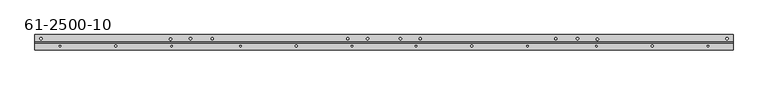
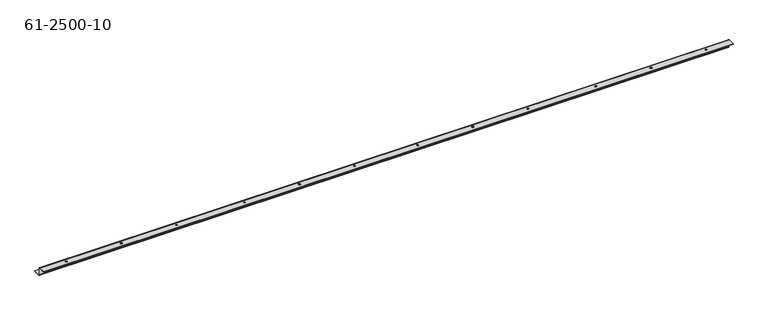
"""IFC4 building model written with IfcOpenShell, lengths in millimetres: proxy geometry, 61-2500-10."""

from ifc_helpers import new_model, si_unit, frame, origin, place, context, project, spatial, polyline, circle_curve, source, transform, mapped, element, save
from ifc_brep_helpers import plane_surface, cylinder_surface, revolved_surface, advanced_brep


def proxy_61_2500_10_40415bdb(model_context):
    return source(origin(), model_context, "Body", "AdvancedBrep", [
        advanced_brep(
        [(2209.7111, 29.8155448, -25.9461), (2209.7111, 29.8155448, -24.3332), (2202.4721, 29.8155448, -24.3332), (2202.4721, 29.8155448, -25.9461), (24.4475, 29.8155448, -25.9461), (24.4475, 29.8155448, -24.3332), (17.2085, 29.8155448, -24.3332), (17.2085, 29.8155448, -25.9461), (1217.4347, 6.0284448, 0.0), (1217.4347, 6.0284448, 1.6129), (1212.6849, 6.0284448, 1.6129), (1212.6849, 6.0284448, 0.0), (1792.3129, 6.0284448, 0.0), (1792.3129, 6.0284448, 1.6129), (1787.5631, 6.0284448, 1.6129), (1787.5631, 6.0284448, 0.0), (1014.2347, 6.0284448, 0.0), (1014.2347, 6.0284448, 1.6129), (1009.4849, 6.0284448, 1.6129), (1009.4849, 6.0284448, 0.0), (439.3565, 6.0284448, 0.0), (439.3565, 6.0284448, 1.6129), (434.6067, 6.0284448, 1.6129), (434.6067, 6.0284448, 0.0), (83.7565, 6.0284448, 0.0), (83.7565, 6.0284448, 1.6129), (79.0067, 6.0284448, 1.6129), (79.0067, 6.0284448, 0.0), (658.6347, 6.0284448, 0.0), (658.6347, 6.0284448, 1.6129), (653.8849, 6.0284448, 1.6129), (653.8849, 6.0284448, 0.0), (2147.9129, 6.0284448, 0.0), (2147.9129, 6.0284448, 1.6129), (2143.1631, 6.0284448, 1.6129), (2143.1631, 6.0284448, 0.0), (1573.0347, 6.0284448, 0.0), (1573.0347, 6.0284448, 1.6129), (1568.2849, 6.0284448, 1.6129), (1568.2849, 6.0284448, 0.0), (1396.0348, 6.0284448, 0.0), (1396.0348, 6.0284448, 1.6129), (1389.6848, 6.0284448, 1.6129), (1389.6848, 6.0284448, 0.0), (837.2348, 6.0284448, 0.0), (837.2348, 6.0284448, 1.6129), (830.8848, 6.0284448, 1.6129), (830.8848, 6.0284448, 0.0), (262.3566, 6.0284448, 0.0), (262.3566, 6.0284448, 1.6129), (256.0066, 6.0284448, 1.6129), (256.0066, 6.0284448, 0.0), (1970.913, 6.0284448, 0.0), (1970.913, 6.0284448, 1.6129), (1964.563, 6.0284448, 1.6129), (1964.563, 6.0284448, 0.0), (1664.1572, 29.8155448, -25.9461), (1664.1572, 29.8155448, -24.3332), (1656.9182, 29.8155448, -24.3332), (1656.9182, 29.8155448, -25.9461), (570.0014, 29.8155448, -25.9461), (570.0014, 29.8155448, -24.3332), (562.7624, 29.8155448, -24.3332), (562.7624, 29.8155448, -25.9461), (1064.768, 29.8155448, -25.9461), (1064.768, 29.8155448, -24.3332), (1057.529, 29.8155448, -24.3332), (1057.529, 29.8155448, -25.9461), (1232.8906, 29.8155448, -25.9461), (1232.8906, 29.8155448, -24.3332), (1225.6516, 29.8155448, -24.3332), (1225.6516, 29.8155448, -25.9461), (1169.3906, 29.8155448, -25.9461), (1169.3906, 29.8155448, -24.3332), (1162.1516, 29.8155448, -24.3332), (1162.1516, 29.8155448, -25.9461), (1733.40776, 29.8155448, -25.9461), (1733.40776, 29.8155448, -24.3332), (1726.16876, 29.8155448, -24.3332), (1726.16876, 29.8155448, -25.9461), (1001.268, 29.8155448, -25.9461), (1001.268, 29.8155448, -24.3332), (994.029, 29.8155448, -24.3332), (994.029, 29.8155448, -25.9461), (500.75084, 29.8155448, -25.9461), (500.75084, 29.8155448, -24.3332), (493.51184, 29.8155448, -24.3332), (493.51184, 29.8155448, -25.9461), (437.19334, 28.2554846, -25.9461), (437.19334, 28.2554846, -24.3332), (429.95434, 28.2554846, -24.3332), (429.95434, 28.2554846, -25.9461), (1796.830546, 28.0915589, -25.9461), (1796.830546, 28.0915589, -24.3332), (1789.591546, 28.0915589, -24.3332), (1789.591546, 28.0915589, -25.9461), (2225.3321, 18.7284448, -1.6129), (2225.3321, 15.5026448, 1.6129), (2225.3321, -6.6715552, 1.6129), (2225.3321, -6.6715552, 0.0), (2225.3321, 15.5026448, 0.0), (2225.3321, 17.1155448, -1.6129), (2225.3321, 17.1155448, -22.7203), (2225.3321, 20.3413448, -25.9461), (2225.3321, 42.5155448, -25.9461), (2225.3321, 42.5155448, -24.3332), (2225.3321, 20.3413448, -24.3332), (2225.3321, 18.7284448, -22.7203), (1.5875, 15.5026448, 1.6129), (1.5875, 18.7284448, -1.6129), (1.5875, 18.7284448, -22.7203), (1.5875, 20.3413448, -24.3332), (1.5875, 42.5155448, -24.3332), (1.5875, 42.5155448, -25.9461), (1.5875, 20.3413448, -25.9461), (1.5875, 17.1155448, -22.7203), (1.5875, 17.1155448, -1.6129), (1.5875, 15.5026448, 0.0), (1.5875, -6.6715552, 0.0), (1.5875, -6.6715552, 1.6129)],
        [
            (0, 1),
            (1, 2, circle_curve(frame((2206.0916, 29.8155448, -24.3332), z_axis=(0.0, 0.0, 1.0), x_axis=(1.0, 0.0, 0.0)), 3.6195)),
            (2, 3),
            (3, 0, circle_curve(frame((2206.0916, 29.8155448, -25.9461), z_axis=(0.0, 0.0, -1.0), x_axis=(1.0, 0.0, 0.0)), 3.6195)),
            (4, 5),
            (5, 6, circle_curve(frame((20.828, 29.8155448, -24.3332), z_axis=(0.0, 0.0, 1.0), x_axis=(1.0, 0.0, 0.0)), 3.6195)),
            (6, 7),
            (7, 4, circle_curve(frame((20.828, 29.8155448, -25.9461), z_axis=(0.0, 0.0, -1.0), x_axis=(1.0, 0.0, 0.0)), 3.6195)),
            (8, 9),
            (9, 10, circle_curve(frame((1215.0598, 6.0284448, 1.6129), z_axis=(0.0, 0.0, 1.0), x_axis=(1.0, 0.0, 0.0)), 2.3749)),
            (10, 11),
            (11, 8, circle_curve(frame((1215.0598, 6.0284448, 0.0), z_axis=(0.0, 0.0, -1.0), x_axis=(1.0, 0.0, 0.0)), 2.3749)),
            (12, 13),
            (13, 14, circle_curve(frame((1789.938, 6.0284448, 1.6129), z_axis=(0.0, 0.0, 1.0), x_axis=(1.0, 0.0, 0.0)), 2.3749)),
            (14, 15),
            (15, 12, circle_curve(frame((1789.938, 6.0284448, 0.0), z_axis=(0.0, 0.0, -1.0), x_axis=(1.0, 0.0, 0.0)), 2.3749)),
            (16, 17),
            (17, 18, circle_curve(frame((1011.8598, 6.0284448, 1.6129), z_axis=(0.0, 0.0, 1.0), x_axis=(1.0, 0.0, 0.0)), 2.3749)),
            (18, 19),
            (19, 16, circle_curve(frame((1011.8598, 6.0284448, 0.0), z_axis=(0.0, 0.0, -1.0), x_axis=(1.0, 0.0, 0.0)), 2.3749)),
            (20, 21),
            (21, 22, circle_curve(frame((436.9816, 6.0284448, 1.6129), z_axis=(0.0, 0.0, 1.0), x_axis=(1.0, 0.0, 0.0)), 2.3749)),
            (22, 23),
            (23, 20, circle_curve(frame((436.9816, 6.0284448, 0.0), z_axis=(0.0, 0.0, -1.0), x_axis=(1.0, 0.0, 0.0)), 2.3749)),
            (24, 25),
            (25, 26, circle_curve(frame((81.3816, 6.0284448, 1.6129), z_axis=(0.0, 0.0, 1.0), x_axis=(1.0, 0.0, 0.0)), 2.3749)),
            (26, 27),
            (27, 24, circle_curve(frame((81.3816, 6.0284448, 0.0), z_axis=(0.0, 0.0, -1.0), x_axis=(1.0, 0.0, 0.0)), 2.3749)),
            (28, 29),
            (29, 30, circle_curve(frame((656.2598, 6.0284448, 1.6129), z_axis=(0.0, 0.0, 1.0), x_axis=(1.0, 0.0, 0.0)), 2.3749)),
            (30, 31),
            (31, 28, circle_curve(frame((656.2598, 6.0284448, 0.0), z_axis=(0.0, 0.0, -1.0), x_axis=(1.0, 0.0, 0.0)), 2.3749)),
            (32, 33),
            (33, 34, circle_curve(frame((2145.538, 6.0284448, 1.6129), z_axis=(0.0, 0.0, 1.0), x_axis=(1.0, 0.0, 0.0)), 2.3749)),
            (34, 35),
            (35, 32, circle_curve(frame((2145.538, 6.0284448, 0.0), z_axis=(0.0, 0.0, -1.0), x_axis=(1.0, 0.0, 0.0)), 2.3749)),
            (36, 37),
            (37, 38, circle_curve(frame((1570.6598, 6.0284448, 1.6129), z_axis=(0.0, 0.0, 1.0), x_axis=(1.0, 0.0, 0.0)), 2.3749)),
            (38, 39),
            (39, 36, circle_curve(frame((1570.6598, 6.0284448, 0.0), z_axis=(0.0, 0.0, -1.0), x_axis=(1.0, 0.0, 0.0)), 2.3749)),
            (40, 41),
            (41, 42, circle_curve(frame((1392.8598, 6.0284448, 1.6129), z_axis=(0.0, 0.0, 1.0), x_axis=(1.0, 0.0, 0.0)), 3.175)),
            (42, 43),
            (43, 40, circle_curve(frame((1392.8598, 6.0284448, 0.0), z_axis=(0.0, 0.0, -1.0), x_axis=(1.0, 0.0, 0.0)), 3.175)),
            (44, 45),
            (45, 46, circle_curve(frame((834.0598, 6.0284448, 1.6129), z_axis=(0.0, 0.0, 1.0), x_axis=(1.0, 0.0, 0.0)), 3.175)),
            (46, 47),
            (47, 44, circle_curve(frame((834.0598, 6.0284448, 0.0), z_axis=(0.0, 0.0, -1.0), x_axis=(1.0, 0.0, 0.0)), 3.175)),
            (48, 49),
            (49, 50, circle_curve(frame((259.1816, 6.0284448, 1.6129), z_axis=(0.0, 0.0, 1.0), x_axis=(1.0, 0.0, 0.0)), 3.175)),
            (50, 51),
            (51, 48, circle_curve(frame((259.1816, 6.0284448, 0.0), z_axis=(0.0, 0.0, -1.0), x_axis=(1.0, 0.0, 0.0)), 3.175)),
            (52, 53),
            (53, 54, circle_curve(frame((1967.738, 6.0284448, 1.6129), z_axis=(0.0, 0.0, 1.0), x_axis=(1.0, 0.0, 0.0)), 3.175)),
            (54, 55),
            (55, 52, circle_curve(frame((1967.738, 6.0284448, 0.0), z_axis=(0.0, 0.0, -1.0), x_axis=(1.0, 0.0, 0.0)), 3.175)),
            (56, 57),
            (57, 58, circle_curve(frame((1660.5377, 29.8155448, -24.3332), z_axis=(0.0, 0.0, 1.0), x_axis=(1.0, 0.0, 0.0)), 3.6195)),
            (58, 59),
            (59, 56, circle_curve(frame((1660.5377, 29.8155448, -25.9461), z_axis=(0.0, 0.0, -1.0), x_axis=(1.0, 0.0, 0.0)), 3.6195)),
            (60, 61),
            (61, 62, circle_curve(frame((566.3819, 29.8155448, -24.3332), z_axis=(0.0, 0.0, 1.0), x_axis=(1.0, 0.0, 0.0)), 3.6195)),
            (62, 63),
            (63, 60, circle_curve(frame((566.3819, 29.8155448, -25.9461), z_axis=(0.0, 0.0, -1.0), x_axis=(1.0, 0.0, 0.0)), 3.6195)),
            (64, 65),
            (65, 66, circle_curve(frame((1061.1485, 29.8155448, -24.3332), z_axis=(0.0, 0.0, 1.0), x_axis=(1.0, 0.0, 0.0)), 3.6195)),
            (66, 67),
            (67, 64, circle_curve(frame((1061.1485, 29.8155448, -25.9461), z_axis=(0.0, 0.0, -1.0), x_axis=(1.0, 0.0, 0.0)), 3.6195)),
            (68, 69),
            (69, 70, circle_curve(frame((1229.2711, 29.8155448, -24.3332), z_axis=(0.0, 0.0, 1.0), x_axis=(1.0, 0.0, 0.0)), 3.6195)),
            (70, 71),
            (71, 68, circle_curve(frame((1229.2711, 29.8155448, -25.9461), z_axis=(0.0, 0.0, -1.0), x_axis=(1.0, 0.0, 0.0)), 3.6195)),
            (72, 73),
            (73, 74, circle_curve(frame((1165.7711, 29.8155448, -24.3332), z_axis=(0.0, 0.0, 1.0), x_axis=(1.0, 0.0, 0.0)), 3.6195)),
            (74, 75),
            (75, 72, circle_curve(frame((1165.7711, 29.8155448, -25.9461), z_axis=(0.0, 0.0, -1.0), x_axis=(1.0, 0.0, 0.0)), 3.6195)),
            (76, 77),
            (77, 78, circle_curve(frame((1729.78826, 29.8155448, -24.3332), z_axis=(0.0, 0.0, 1.0), x_axis=(1.0, 0.0, 0.0)), 3.6195)),
            (78, 79),
            (79, 76, circle_curve(frame((1729.78826, 29.8155448, -25.9461), z_axis=(0.0, 0.0, -1.0), x_axis=(1.0, 0.0, 0.0)), 3.6195)),
            (80, 81),
            (81, 82, circle_curve(frame((997.6485, 29.8155448, -24.3332), z_axis=(0.0, 0.0, 1.0), x_axis=(1.0, 0.0, 0.0)), 3.6195)),
            (82, 83),
            (83, 80, circle_curve(frame((997.6485, 29.8155448, -25.9461), z_axis=(0.0, 0.0, -1.0), x_axis=(1.0, 0.0, 0.0)), 3.6195)),
            (84, 85),
            (85, 86, circle_curve(frame((497.13134, 29.8155448, -24.3332), z_axis=(0.0, 0.0, 1.0), x_axis=(1.0, 0.0, 0.0)), 3.6195)),
            (86, 87),
            (87, 84, circle_curve(frame((497.13134, 29.8155448, -25.9461), z_axis=(0.0, 0.0, -1.0), x_axis=(1.0, 0.0, 0.0)), 3.6195)),
            (88, 89),
            (89, 90, circle_curve(frame((433.57384, 28.2554846, -24.3332), z_axis=(0.0, 0.0, 1.0), x_axis=(1.0, 0.0, 0.0)), 3.6195)),
            (90, 91),
            (91, 88, circle_curve(frame((433.57384, 28.2554846, -25.9461), z_axis=(0.0, 0.0, -1.0), x_axis=(1.0, 0.0, 0.0)), 3.6195)),
            (92, 93),
            (93, 94, circle_curve(frame((1793.211046, 28.0915589, -24.3332), z_axis=(0.0, 0.0, 1.0), x_axis=(1.0, 0.0, 0.0)), 3.6195)),
            (94, 95),
            (95, 92, circle_curve(frame((1793.211046, 28.0915589, -25.9461), z_axis=(0.0, 0.0, -1.0), x_axis=(1.0, 0.0, 0.0)), 3.6195)),
            (92, 95, circle_curve(frame((1793.211046, 28.0915589, -25.9461), z_axis=(0.0, 0.0, -1.0), x_axis=(1.0, 0.0, 0.0)), 3.6195)),
            (94, 93, circle_curve(frame((1793.211046, 28.0915589, -24.3332), z_axis=(0.0, 0.0, 1.0), x_axis=(1.0, 0.0, 0.0)), 3.6195)),
            (88, 91, circle_curve(frame((433.57384, 28.2554846, -25.9461), z_axis=(0.0, 0.0, -1.0), x_axis=(1.0, 0.0, 0.0)), 3.6195)),
            (90, 89, circle_curve(frame((433.57384, 28.2554846, -24.3332), z_axis=(0.0, 0.0, 1.0), x_axis=(1.0, 0.0, 0.0)), 3.6195)),
            (96, 97, circle_curve(frame((2225.3321, 15.5026448, -1.6129), z_axis=(1.0, 0.0, 0.0), x_axis=(0.0, 0.0, 1.0)), 3.2258)),
            (97, 98),
            (98, 99),
            (99, 100),
            (100, 101, circle_curve(frame((2225.3321, 15.5026448, -1.6129), z_axis=(-1.0, 0.0, 0.0), x_axis=(0.0, 0.0, 1.0)), 1.6129)),
            (101, 102),
            (102, 103, circle_curve(frame((2225.3321, 20.3413448, -22.7203), z_axis=(1.0, 0.0, 0.0), x_axis=(0.0, -1.0, 0.0)), 3.2258)),
            (103, 104),
            (104, 105),
            (105, 106),
            (106, 107, circle_curve(frame((2225.3321, 20.3413448, -22.7203), z_axis=(-1.0, 0.0, 0.0), x_axis=(0.0, -1.0, 0.0)), 1.6129)),
            (107, 96),
            (108, 109, circle_curve(frame((1.5875, 15.5026448, -1.6129), z_axis=(-1.0, 0.0, 0.0), x_axis=(0.0, 0.0, 1.0)), 3.2258)),
            (109, 110),
            (110, 111, circle_curve(frame((1.5875, 20.3413448, -22.7203), z_axis=(1.0, 0.0, 0.0), x_axis=(0.0, -1.0, 0.0)), 1.6129)),
            (111, 112),
            (112, 113),
            (113, 114),
            (114, 115, circle_curve(frame((1.5875, 20.3413448, -22.7203), z_axis=(-1.0, 0.0, 0.0), x_axis=(0.0, -1.0, 0.0)), 3.2258)),
            (115, 116),
            (116, 117, circle_curve(frame((1.5875, 15.5026448, -1.6129), z_axis=(1.0, 0.0, 0.0), x_axis=(0.0, 0.0, 1.0)), 1.6129)),
            (117, 118),
            (118, 119),
            (119, 108),
            (105, 112),
            (111, 106),
            (1, 2, circle_curve(frame((2206.0916, 29.8155448, -24.3332), z_axis=(0.0, 0.0, -1.0), x_axis=(1.0, 0.0, 0.0)), 3.6195)),
            (5, 6, circle_curve(frame((20.828, 29.8155448, -24.3332), z_axis=(0.0, 0.0, -1.0), x_axis=(1.0, 0.0, 0.0)), 3.6195)),
            (57, 58, circle_curve(frame((1660.5377, 29.8155448, -24.3332), z_axis=(0.0, 0.0, -1.0), x_axis=(1.0, 0.0, 0.0)), 3.6195)),
            (61, 62, circle_curve(frame((566.3819, 29.8155448, -24.3332), z_axis=(0.0, 0.0, -1.0), x_axis=(1.0, 0.0, 0.0)), 3.6195)),
            (65, 66, circle_curve(frame((1061.1485, 29.8155448, -24.3332), z_axis=(0.0, 0.0, -1.0), x_axis=(1.0, 0.0, 0.0)), 3.6195)),
            (69, 70, circle_curve(frame((1229.2711, 29.8155448, -24.3332), z_axis=(0.0, 0.0, -1.0), x_axis=(1.0, 0.0, 0.0)), 3.6195)),
            (73, 74, circle_curve(frame((1165.7711, 29.8155448, -24.3332), z_axis=(0.0, 0.0, -1.0), x_axis=(1.0, 0.0, 0.0)), 3.6195)),
            (77, 78, circle_curve(frame((1729.78826, 29.8155448, -24.3332), z_axis=(0.0, 0.0, -1.0), x_axis=(1.0, 0.0, 0.0)), 3.6195)),
            (81, 82, circle_curve(frame((997.6485, 29.8155448, -24.3332), z_axis=(0.0, 0.0, -1.0), x_axis=(1.0, 0.0, 0.0)), 3.6195)),
            (85, 86, circle_curve(frame((497.13134, 29.8155448, -24.3332), z_axis=(0.0, 0.0, -1.0), x_axis=(1.0, 0.0, 0.0)), 3.6195)),
            (110, 107),
            (104, 113),
            (103, 114),
            (3, 0, circle_curve(frame((2206.0916, 29.8155448, -25.9461), z_axis=(0.0, 0.0, 1.0), x_axis=(1.0, 0.0, 0.0)), 3.6195)),
            (7, 4, circle_curve(frame((20.828, 29.8155448, -25.9461), z_axis=(0.0, 0.0, 1.0), x_axis=(1.0, 0.0, 0.0)), 3.6195)),
            (59, 56, circle_curve(frame((1660.5377, 29.8155448, -25.9461), z_axis=(0.0, 0.0, 1.0), x_axis=(1.0, 0.0, 0.0)), 3.6195)),
            (63, 60, circle_curve(frame((566.3819, 29.8155448, -25.9461), z_axis=(0.0, 0.0, 1.0), x_axis=(1.0, 0.0, 0.0)), 3.6195)),
            (67, 64, circle_curve(frame((1061.1485, 29.8155448, -25.9461), z_axis=(0.0, 0.0, 1.0), x_axis=(1.0, 0.0, 0.0)), 3.6195)),
            (71, 68, circle_curve(frame((1229.2711, 29.8155448, -25.9461), z_axis=(0.0, 0.0, 1.0), x_axis=(1.0, 0.0, 0.0)), 3.6195)),
            (75, 72, circle_curve(frame((1165.7711, 29.8155448, -25.9461), z_axis=(0.0, 0.0, 1.0), x_axis=(1.0, 0.0, 0.0)), 3.6195)),
            (79, 76, circle_curve(frame((1729.78826, 29.8155448, -25.9461), z_axis=(0.0, 0.0, 1.0), x_axis=(1.0, 0.0, 0.0)), 3.6195)),
            (83, 80, circle_curve(frame((997.6485, 29.8155448, -25.9461), z_axis=(0.0, 0.0, 1.0), x_axis=(1.0, 0.0, 0.0)), 3.6195)),
            (87, 84, circle_curve(frame((497.13134, 29.8155448, -25.9461), z_axis=(0.0, 0.0, 1.0), x_axis=(1.0, 0.0, 0.0)), 3.6195)),
            (102, 115),
            (101, 116),
            (52, 55, circle_curve(frame((1967.738, 6.0284448, 0.0), z_axis=(0.0, 0.0, -1.0), x_axis=(1.0, 0.0, 0.0)), 3.175)),
            (54, 53, circle_curve(frame((1967.738, 6.0284448, 1.6129), z_axis=(0.0, 0.0, 1.0), x_axis=(1.0, 0.0, 0.0)), 3.175)),
            (48, 51, circle_curve(frame((259.1816, 6.0284448, 0.0), z_axis=(0.0, 0.0, -1.0), x_axis=(1.0, 0.0, 0.0)), 3.175)),
            (50, 49, circle_curve(frame((259.1816, 6.0284448, 1.6129), z_axis=(0.0, 0.0, 1.0), x_axis=(1.0, 0.0, 0.0)), 3.175)),
            (44, 47, circle_curve(frame((834.0598, 6.0284448, 0.0), z_axis=(0.0, 0.0, -1.0), x_axis=(1.0, 0.0, 0.0)), 3.175)),
            (46, 45, circle_curve(frame((834.0598, 6.0284448, 1.6129), z_axis=(0.0, 0.0, 1.0), x_axis=(1.0, 0.0, 0.0)), 3.175)),
            (40, 43, circle_curve(frame((1392.8598, 6.0284448, 0.0), z_axis=(0.0, 0.0, -1.0), x_axis=(1.0, 0.0, 0.0)), 3.175)),
            (42, 41, circle_curve(frame((1392.8598, 6.0284448, 1.6129), z_axis=(0.0, 0.0, 1.0), x_axis=(1.0, 0.0, 0.0)), 3.175)),
            (36, 39, circle_curve(frame((1570.6598, 6.0284448, 0.0), z_axis=(0.0, 0.0, -1.0), x_axis=(1.0, 0.0, 0.0)), 2.3749)),
            (38, 37, circle_curve(frame((1570.6598, 6.0284448, 1.6129), z_axis=(0.0, 0.0, 1.0), x_axis=(1.0, 0.0, 0.0)), 2.3749)),
            (32, 35, circle_curve(frame((2145.538, 6.0284448, 0.0), z_axis=(0.0, 0.0, -1.0), x_axis=(1.0, 0.0, 0.0)), 2.3749)),
            (34, 33, circle_curve(frame((2145.538, 6.0284448, 1.6129), z_axis=(0.0, 0.0, 1.0), x_axis=(1.0, 0.0, 0.0)), 2.3749)),
            (28, 31, circle_curve(frame((656.2598, 6.0284448, 0.0), z_axis=(0.0, 0.0, -1.0), x_axis=(1.0, 0.0, 0.0)), 2.3749)),
            (30, 29, circle_curve(frame((656.2598, 6.0284448, 1.6129), z_axis=(0.0, 0.0, 1.0), x_axis=(1.0, 0.0, 0.0)), 2.3749)),
            (24, 27, circle_curve(frame((81.3816, 6.0284448, 0.0), z_axis=(0.0, 0.0, -1.0), x_axis=(1.0, 0.0, 0.0)), 2.3749)),
            (26, 25, circle_curve(frame((81.3816, 6.0284448, 1.6129), z_axis=(0.0, 0.0, 1.0), x_axis=(1.0, 0.0, 0.0)), 2.3749)),
            (20, 23, circle_curve(frame((436.9816, 6.0284448, 0.0), z_axis=(0.0, 0.0, -1.0), x_axis=(1.0, 0.0, 0.0)), 2.3749)),
            (22, 21, circle_curve(frame((436.9816, 6.0284448, 1.6129), z_axis=(0.0, 0.0, 1.0), x_axis=(1.0, 0.0, 0.0)), 2.3749)),
            (16, 19, circle_curve(frame((1011.8598, 6.0284448, 0.0), z_axis=(0.0, 0.0, -1.0), x_axis=(1.0, 0.0, 0.0)), 2.3749)),
            (18, 17, circle_curve(frame((1011.8598, 6.0284448, 1.6129), z_axis=(0.0, 0.0, 1.0), x_axis=(1.0, 0.0, 0.0)), 2.3749)),
            (12, 15, circle_curve(frame((1789.938, 6.0284448, 0.0), z_axis=(0.0, 0.0, -1.0), x_axis=(1.0, 0.0, 0.0)), 2.3749)),
            (14, 13, circle_curve(frame((1789.938, 6.0284448, 1.6129), z_axis=(0.0, 0.0, 1.0), x_axis=(1.0, 0.0, 0.0)), 2.3749)),
            (8, 11, circle_curve(frame((1215.0598, 6.0284448, 0.0), z_axis=(0.0, 0.0, -1.0), x_axis=(1.0, 0.0, 0.0)), 2.3749)),
            (10, 9, circle_curve(frame((1215.0598, 6.0284448, 1.6129), z_axis=(0.0, 0.0, 1.0), x_axis=(1.0, 0.0, 0.0)), 2.3749)),
            (109, 96),
            (108, 97),
            (100, 117),
            (119, 98),
            (118, 99),
        ],
        [
            revolved_surface(polyline([(2209.7111, 29.8155448, -24.3332), (2209.7111, 29.8155448, -25.9461)]), (2206.0916, 29.8155448, -25.13965), (0.0, 0.0, 1.0)),
            revolved_surface(polyline([(24.447499999999998, 29.8155448, -24.3332), (24.447499999999998, 29.8155448, -25.9461)]), (20.828, 29.8155448, -25.13965), (0.0, 0.0, 1.0)),
            revolved_surface(polyline([(1217.4347, 6.0284448, 1.6129000000000815), (1217.4347, 6.0284448, 0.0)]), (1215.0598, 6.0284448, -2226.0203225), (0.0, 0.0, 1.0)),
            revolved_surface(polyline([(1792.3129000000001, 6.0284448, 1.6129000000000815), (1792.3129000000001, 6.0284448, 0.0)]), (1789.938, 6.0284448, -2226.0203225), (0.0, 0.0, 1.0)),
            revolved_surface(polyline([(1014.2347, 6.0284448, 1.6129000000000815), (1014.2347, 6.0284448, 0.0)]), (1011.8598, 6.0284448, -2226.0203225), (0.0, 0.0, 1.0)),
            revolved_surface(polyline([(439.35650000000004, 6.0284448, 1.6129000000000815), (439.35650000000004, 6.0284448, 0.0)]), (436.9816, 6.0284448, -2226.0203225), (0.0, 0.0, 1.0)),
            revolved_surface(polyline([(83.7565, 6.0284448, 1.6129000000000815), (83.7565, 6.0284448, 0.0)]), (81.3816, 6.0284448, -2226.0203225), (0.0, 0.0, 1.0)),
            revolved_surface(polyline([(658.6347000000001, 6.0284448, 1.6129000000000815), (658.6347000000001, 6.0284448, 0.0)]), (656.2598, 6.0284448, -2226.0203225), (0.0, 0.0, 1.0)),
            revolved_surface(polyline([(2147.9129, 6.0284448, 1.6129000000000815), (2147.9129, 6.0284448, 0.0)]), (2145.538, 6.0284448, -2226.0203225), (0.0, 0.0, 1.0)),
            revolved_surface(polyline([(1573.0347, 6.0284448, 1.6129000000000815), (1573.0347, 6.0284448, 0.0)]), (1570.6598, 6.0284448, -2226.0203225), (0.0, 0.0, 1.0)),
            revolved_surface(polyline([(1396.0348, 6.0284448, 1.6129), (1396.0348, 6.0284448, 0.0)]), (1392.8598, 6.0284448, 0.80645), (0.0, 0.0, 1.0)),
            revolved_surface(polyline([(837.2348, 6.0284448, 1.6129), (837.2348, 6.0284448, 0.0)]), (834.0598, 6.0284448, 0.80645), (0.0, 0.0, 1.0)),
            revolved_surface(polyline([(262.3566, 6.0284448, 1.6129), (262.3566, 6.0284448, 0.0)]), (259.1816, 6.0284448, 0.80645), (0.0, 0.0, 1.0)),
            revolved_surface(polyline([(1970.913, 6.0284448, 1.6129), (1970.913, 6.0284448, 0.0)]), (1967.738, 6.0284448, 0.80645), (0.0, 0.0, 1.0)),
            revolved_surface(polyline([(1664.1572, 29.8155448, -24.3332), (1664.1572, 29.8155448, -25.9461)]), (1660.5377, 29.8155448, -25.13965), (0.0, 0.0, 1.0)),
            revolved_surface(polyline([(570.0014, 29.8155448, -24.3332), (570.0014, 29.8155448, -25.9461)]), (566.3819, 29.8155448, -25.13965), (0.0, 0.0, 1.0)),
            revolved_surface(polyline([(1064.768, 29.8155448, -24.3332), (1064.768, 29.8155448, -25.9461)]), (1061.1485, 29.8155448, -25.13965), (0.0, 0.0, 1.0)),
            revolved_surface(polyline([(1232.8906, 29.8155448, -24.3332), (1232.8906, 29.8155448, -25.9461)]), (1229.2711, 29.8155448, -25.13965), (0.0, 0.0, 1.0)),
            revolved_surface(polyline([(1169.3906, 29.8155448, -24.3332), (1169.3906, 29.8155448, -25.9461)]), (1165.7711, 29.8155448, -25.13965), (0.0, 0.0, 1.0)),
            revolved_surface(polyline([(1733.40776, 29.8155448, -24.3332), (1733.40776, 29.8155448, -25.9461)]), (1729.78826, 29.8155448, -25.13965), (0.0, 0.0, 1.0)),
            revolved_surface(polyline([(1001.268, 29.8155448, -24.3332), (1001.268, 29.8155448, -25.9461)]), (997.6485, 29.8155448, -25.13965), (0.0, 0.0, 1.0)),
            revolved_surface(polyline([(500.75084000000004, 29.8155448, -24.3332), (500.75084000000004, 29.8155448, -25.9461)]), (497.13134, 29.8155448, -25.13965), (0.0, 0.0, 1.0)),
            revolved_surface(polyline([(437.19334000000003, 28.2554846, -24.333200000000033), (437.19334000000003, 28.2554846, -25.946100000000115)]), (433.57384, 28.2554846, -2248.7924411), (0.0, 0.0, 1.0)),
            revolved_surface(polyline([(1796.830546, 28.0915589, -24.333200000000033), (1796.830546, 28.0915589, -25.946100000000115)]), (1793.211046, 28.0915589, -2248.7924411), (0.0, 0.0, 1.0)),
            plane_surface(frame((2225.3321, 71.0079743, 1.6129), z_axis=(1.0, 0.0, 0.0), x_axis=(0.0, 0.0, 1.0))),
            plane_surface(frame((1.5875, -43.0377467, 1.6129), z_axis=(-1.0, 0.0, 0.0), x_axis=(0.0, 0.0, -1.0))),
            plane_surface(frame((1113.4598, 29.8155448, -24.3332), z_axis=(0.0, 0.0, 1.0), x_axis=(1.0, 0.0, 0.0))),
            revolved_surface(polyline([(2225.3321, 18.728444800000002, -22.7203), (1.587500000000091, 18.728444800000002, -22.7203)]), (1113.4598, 20.3413448, -22.7203), (1.0, 0.0, 0.0)),
            plane_surface(frame((0.0, 42.5155448, -25.9461), z_axis=(0.0, 1.0, 0.0), x_axis=(0.0, 0.0, 1.0))),
            plane_surface(frame((1113.4598, 29.8155448, -25.9461), z_axis=(0.0, 0.0, -1.0), x_axis=(1.0, 0.0, 0.0))),
            cylinder_surface(frame((1113.4598, 20.3413448, -22.7203), z_axis=(1.0, 0.0, 0.0), x_axis=(0.0, -1.0, 0.0)), 3.2258),
            plane_surface(frame((1113.4598, 17.1155448, -12.1666), z_axis=(0.0, -1.0, 0.0), x_axis=(0.0, 0.0, 1.0))),
            plane_surface(frame((1113.4598, 18.7284448, -12.1666), z_axis=(0.0, 1.0, 0.0), x_axis=(0.0, 0.0, 1.0))),
            cylinder_surface(frame((1113.4598, 15.5026448, -1.6129), z_axis=(-1.0, 0.0, 0.0), x_axis=(0.0, 0.0, 1.0)), 3.2258),
            revolved_surface(polyline([(1.587500000000091, 15.5026448, 0.0), (2225.3321, 15.5026448, 0.0)]), (1113.4598, 15.5026448, -1.6129), (-1.0, 0.0, 0.0)),
            plane_surface(frame((1113.4598, 6.0284448, 1.6129), z_axis=(0.0, 0.0, 1.0), x_axis=(1.0, 0.0, 0.0))),
            plane_surface(frame((2226.9196, -6.6715552, 0.0), z_axis=(0.0, -1.0, 0.0), x_axis=(0.0, 0.0, -1.0))),
            plane_surface(frame((1113.4598, 6.0284448, 0.0), z_axis=(0.0, 0.0, -1.0), x_axis=(1.0, 0.0, 0.0))),
        ],
        [
            (0, [[1, 2, 3, 4]]),
            (1, [[5, 6, 7, 8]]),
            (2, [[9, 10, 11, 12]]),
            (3, [[13, 14, 15, 16]]),
            (4, [[17, 18, 19, 20]]),
            (5, [[21, 22, 23, 24]]),
            (6, [[25, 26, 27, 28]]),
            (7, [[29, 30, 31, 32]]),
            (8, [[33, 34, 35, 36]]),
            (9, [[37, 38, 39, 40]]),
            (10, [[41, 42, 43, 44]]),
            (11, [[45, 46, 47, 48]]),
            (12, [[49, 50, 51, 52]]),
            (13, [[53, 54, 55, 56]]),
            (14, [[57, 58, 59, 60]]),
            (15, [[61, 62, 63, 64]]),
            (16, [[65, 66, 67, 68]]),
            (17, [[69, 70, 71, 72]]),
            (18, [[73, 74, 75, 76]]),
            (19, [[77, 78, 79, 80]]),
            (20, [[81, 82, 83, 84]]),
            (21, [[85, 86, 87, 88]]),
            (22, [[89, 90, 91, 92]]),
            (23, [[93, 94, 95, 96]]),
            (23, [[-93, 97, -95, 98]]),
            (22, [[-89, 99, -91, 100]]),
            (24, [[101, 102, 103, 104, 105, 106, 107, 108, 109, 110, 111, 112]]),
            (25, [[113, 114, 115, 116, 117, 118, 119, 120, 121, 122, 123, 124]]),
            (26, [[-110, 125, -116, 126], [-98, -94], [-100, -90], [127, -2], [128, -6], [129, -58], [130, -62], [131, -66], [132, -70], [133, -74], [134, -78], [135, -82], [136, -86]]),
            (27, [[-111, -126, -115, 137]]),
            (28, [[-109, 138, -117, -125]]),
            (29, [[-108, 139, -118, -138], [-4, 140], [-8, 141], [-60, 142], [-64, 143], [-68, 144], [-72, 145], [-76, 146], [-80, 147], [-84, 148], [-88, 149], [-97, -96], [-99, -92]]),
            (30, [[-107, 150, -119, -139]]),
            (31, [[-106, 151, -120, -150]]),
            (21, [[-85, -149, -87, -136]]),
            (20, [[-81, -148, -83, -135]]),
            (19, [[-77, -147, -79, -134]]),
            (18, [[-73, -146, -75, -133]]),
            (17, [[-69, -145, -71, -132]]),
            (16, [[-65, -144, -67, -131]]),
            (15, [[-61, -143, -63, -130]]),
            (14, [[-57, -142, -59, -129]]),
            (13, [[-53, 152, -55, 153]]),
            (12, [[-49, 154, -51, 155]]),
            (11, [[-45, 156, -47, 157]]),
            (10, [[-41, 158, -43, 159]]),
            (9, [[-37, 160, -39, 161]]),
            (8, [[-33, 162, -35, 163]]),
            (7, [[-29, 164, -31, 165]]),
            (6, [[-25, 166, -27, 167]]),
            (5, [[-21, 168, -23, 169]]),
            (4, [[-17, 170, -19, 171]]),
            (3, [[-13, 172, -15, 173]]),
            (2, [[-9, 174, -11, 175]]),
            (1, [[-5, -141, -7, -128]]),
            (0, [[-1, -140, -3, -127]]),
            (32, [[-112, -137, -114, 176]]),
            (33, [[-101, -176, -113, 177]]),
            (34, [[-105, 178, -121, -151]]),
            (35, [[-102, -177, -124, 179], [-153, -54], [-155, -50], [-157, -46], [-159, -42], [-161, -38], [-163, -34], [-165, -30], [-167, -26], [-169, -22], [-171, -18], [-173, -14], [-175, -10]]),
            (36, [[-103, -179, -123, 180]]),
            (37, [[-104, -180, -122, -178], [-44, -158], [-48, -156], [-52, -154], [-56, -152], [-160, -40], [-162, -36], [-164, -32], [-166, -28], [-168, -24], [-170, -20], [-172, -16], [-174, -12]]),
        ],
    ),
    ])


if __name__ == "__main__":
    model = new_model("IFC4")
    model_context = context("Model", 3, world=origin())
    ifc_project = project(units=[si_unit("LENGTHUNIT", "METRE", prefix="MILLI")], contexts=[model_context])
    site = spatial("IfcSite", under=ifc_project)
    building = spatial("IfcBuilding", under=site)
    placement = place(None, origin())
    proxy_61_2500_10_shape = proxy_61_2500_10_40415bdb(model_context)
    element("IfcBuildingElementProxy", 1, Name="61-2500-10", ObjectType="61-2500-10", at=placement, inside=building, context=model_context, shape_type="MappedRepresentation", body=[
        mapped(proxy_61_2500_10_shape, transform((0.0, 0.0, 0.0), x_axis=(1.0, 0.0, 0.0), y_axis=(0.0, 1.0, 0.0), z_axis=(0.0, 0.0, 1.0))),
    ])
    save(model, "model.ifc")
